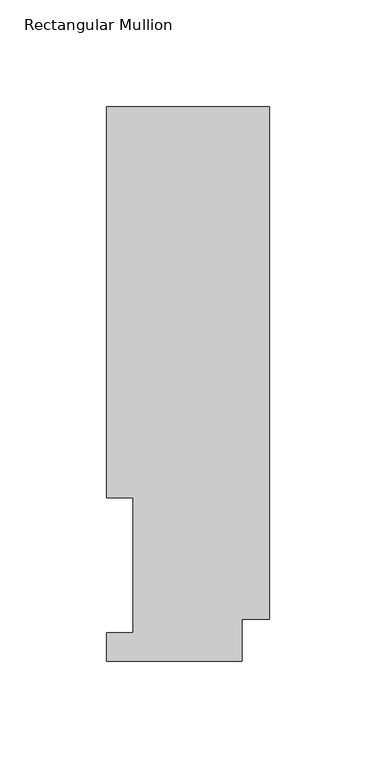
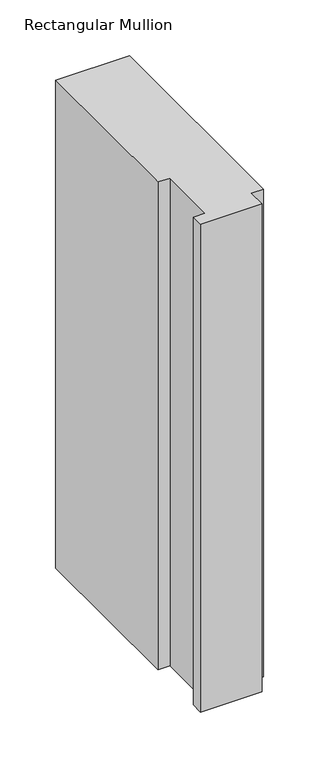
"""IFC4 building model written with IfcOpenShell, lengths in millimetres: member geometry, Rectangular Mullion."""

from ifc_helpers import new_model, si_unit, frame, origin, place, context, project, spatial, polyline, outline, extrude, source, transform, mapped, element, save


def rectangular_mullion_a8a37dc8(model_context):
    return source(origin(), model_context, "Body", "SweptSolid", [
        extrude(outline(polyline([(0.0, 19.5088257), (-12.7, 19.5088257), (-12.7, -0.0333811), (-76.2, -0.0333811), (-76.2, 13.1492189), (-63.8581605, 13.1492189), (-63.8581605, 76.2992187), (-76.2, 76.2992187), (-76.2, 259.4586188), (0.0, 259.4586188), (0.0, 19.5088257)])), frame((0.0, 0.0, -532.8581303), z_axis=(0.0, 0.0, 1.0), x_axis=(1.0, 0.0, 0.0)), (0.0, 0.0, 1.0), 532.8581303),
    ])


if __name__ == "__main__":
    model = new_model("IFC4")
    model_context = context("Model", 3, world=origin())
    ifc_project = project(units=[si_unit("LENGTHUNIT", "METRE", prefix="MILLI")], contexts=[model_context])
    site = spatial("IfcSite", under=ifc_project)
    building = spatial("IfcBuilding", under=site)
    placement = place(None, origin())
    rectangular_mullion_shape = rectangular_mullion_a8a37dc8(model_context)
    element("IfcMember", 1, ObjectType="Rectangular Mullion", at=placement, inside=building, context=model_context, shape_type="MappedRepresentation", body=[
        mapped(rectangular_mullion_shape, transform((0.0, 0.0, 0.0), x_axis=(1.0, 0.0, 0.0), y_axis=(0.0, 1.0, 0.0), z_axis=(0.0, 0.0, 1.0))),
    ])
    save(model, "model.ifc")
